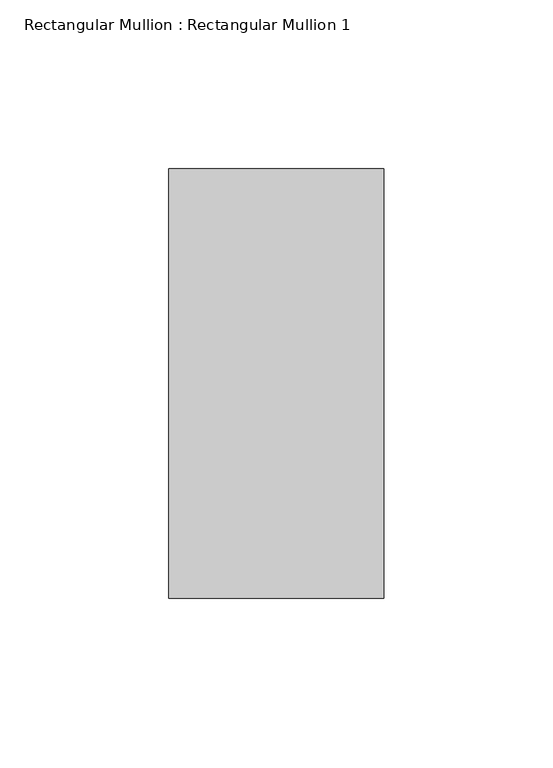
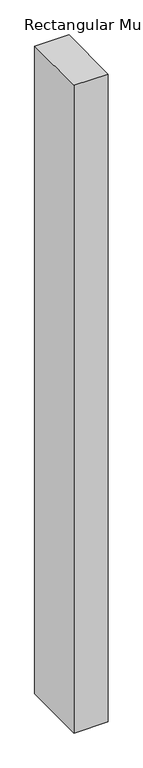
"""IFC4 building model written with IfcOpenShell, lengths in millimetres: member geometry, Rectangular Mullion : Rectangular Mullion 1."""

from ifc_helpers import new_model, si_unit, frame, origin, place, context, project, spatial, polyline, outline, extrude, source, transform, mapped, element, save


def rectangular_mullion_rectangular_mullion_1_89753586(model_context):
    return source(origin(), model_context, "Body", "SweptSolid", [
        extrude(outline(polyline([(0.0, 63.5), (0.0, -63.5), (-63.5, -63.5), (-63.5, 63.5), (0.0, 63.5)])), frame((0.0, 0.0, -1273.7304697), z_axis=(0.0, 0.0, 1.0), x_axis=(1.0, 0.0, 0.0)), (0.0, 0.0, 1.0), 1273.7304697),
    ])


if __name__ == "__main__":
    model = new_model("IFC4")
    model_context = context("Model", 3, world=origin())
    ifc_project = project(units=[si_unit("LENGTHUNIT", "METRE", prefix="MILLI")], contexts=[model_context])
    site = spatial("IfcSite", under=ifc_project)
    building = spatial("IfcBuilding", under=site)
    placement = place(None, origin())
    rectangular_mullion_rectangular_mullion_1_shape = rectangular_mullion_rectangular_mullion_1_89753586(model_context)
    element("IfcMember", 1, ObjectType="Rectangular Mullion : Rectangular Mullion 1", at=placement, inside=building, context=model_context, shape_type="MappedRepresentation", body=[
        mapped(rectangular_mullion_rectangular_mullion_1_shape, transform((0.0, 0.0, 0.0), x_axis=(1.0, 0.0, 0.0), y_axis=(0.0, 1.0, 0.0), z_axis=(0.0, 0.0, 1.0))),
    ])
    save(model, "model.ifc")
